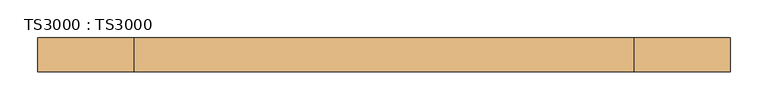
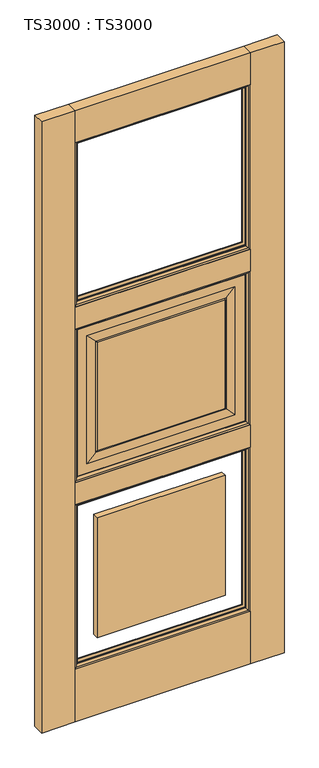
"""IFC4 building model written with IfcOpenShell, lengths in millimetres: door geometry, TS3000 : TS3000."""

from ifc_helpers import new_model, si_unit, frame, origin, origin_with_axes, place, context, project, spatial, polyline, ellipse_curve, outline, extrude, source, transform, mapped, element, save
from ifc_brep_helpers import plane_surface, revolved_surface, advanced_brep


def ts3000_ts3000_b2f78607(model_context):
    return source(origin(), model_context, "Body", "SolidModel", [
        extrude(outline(polyline([(787.4, 44.45), (787.4, 0.0), (127.0, 0.0), (127.0, 44.45), (787.4, 44.45)])), origin_with_axes(), (0.0, 0.0, 1.0), 209.55),
        extrude(outline(polyline([(787.4, 44.45), (787.4, 0.0), (127.0, 0.0), (127.0, 44.45), (787.4, 44.45)])), frame((0.0, 0.0, 865.7166667), z_axis=(0.0, 0.0, 1.0), x_axis=(1.0, 0.0, 0.0)), (0.0, 0.0, 1.0), 88.9),
        extrude(outline(polyline([(787.4, 44.45), (787.4, 0.0), (127.0, 0.0), (127.0, 44.45), (787.4, 44.45)])), frame((0.0, 0.0, 2311.4), z_axis=(0.0, 0.0, 1.0), x_axis=(1.0, 0.0, 0.0)), (0.0, 0.0, 1.0), 127.0),
        extrude(outline(polyline([(787.4, 44.45), (787.4, 0.0), (127.0, 0.0), (127.0, 44.45), (787.4, 44.45)])), frame((0.0, 0.0, 1566.3333333), z_axis=(0.0, 0.0, 1.0), x_axis=(1.0, 0.0, 0.0)), (0.0, 0.0, 1.0), 88.9),
        extrude(outline(polyline([(127.0, 44.45), (127.0, 0.0), (0.0, 0.0), (0.0, 44.45), (127.0, 44.45)])), origin_with_axes(), (0.0, 0.0, 1.0), 2438.4),
        extrude(outline(polyline([(914.4, 44.45), (914.4, 0.0), (787.4, 0.0), (787.4, 44.45), (914.4, 44.45)])), origin_with_axes(), (0.0, 0.0, 1.0), 2438.4),
        advanced_brep(
        [(787.4, 12.7, 1566.3333333), (787.4, 12.7, 954.6166667), (787.4, 31.75, 954.6166667), (787.4, 31.75, 1566.3333333), (127.0, 31.75, 954.6166667), (127.0, 31.75, 1566.3333333), (736.6, 31.75, 1005.4166667), (736.6, 31.75, 1515.5333333), (177.8, 31.75, 1515.5333333), (177.8, 31.75, 1005.4166667), (127.0, 12.7, 954.6166667), (127.0, 12.7, 1566.3333333), (736.6, 12.7, 1515.5333333), (736.6, 12.7, 1005.4166667), (177.8, 12.7, 1005.4166667), (177.8, 12.7, 1515.5333333), (698.5, 33.3375, 1477.4333333), (698.5, 33.3375, 1043.5166667), (698.5, 11.1125, 1043.5166667), (698.5, 11.1125, 1477.4333333), (703.2625, 13.49375, 1038.7541667), (703.2625, 13.49375, 1482.1958333), (215.9, 33.3375, 1043.5166667), (215.9, 11.1125, 1043.5166667), (703.2625, 30.95625, 1482.1958333), (703.2625, 30.95625, 1038.7541667), (211.1375, 13.49375, 1038.7541667), (215.9, 33.3375, 1477.4333333), (215.9, 11.1125, 1477.4333333), (211.1375, 30.95625, 1038.7541667), (211.1375, 13.49375, 1482.1958333), (211.1375, 30.95625, 1482.1958333)],
        [
            (0, 1),
            (1, 2),
            (2, 3),
            (3, 0),
            (2, 4),
            (4, 5),
            (5, 3),
            (6, 7),
            (7, 8),
            (8, 9),
            (9, 6),
            (1, 10),
            (10, 4),
            (0, 11),
            (11, 10),
            (12, 13),
            (13, 14),
            (14, 15),
            (15, 12),
            (16, 17),
            (17, 18),
            (18, 19),
            (19, 16),
            (18, 20, ellipse_curve(frame((703.7585938, 6.5484375, 1038.2580729), z_axis=(-0.7071067811865475, 0.0, -0.7071067811865475), x_axis=(0.7071067811865474, 0.0, -0.7071067811865476)), 9.8471798, 6.9630076)),
            (20, 21),
            (21, 19, ellipse_curve(frame((703.7585938, 6.5484375, 1482.6919271), z_axis=(-0.7071067811865475, 0.0, 0.7071067811865475), x_axis=(-0.7071067811865474, 0.0, -0.7071067811865476)), 9.8471798, 6.9630076)),
            (17, 22),
            (22, 23),
            (23, 18),
            (24, 25),
            (25, 17, ellipse_curve(frame((703.7585938, 37.9015625, 1038.2580729), z_axis=(-0.7071067811865475, 0.0, -0.7071067811865475), x_axis=(0.7071067811865474, 0.0, -0.7071067811865476)), 9.8471798, 6.9630076)),
            (16, 24, ellipse_curve(frame((703.7585938, 37.9015625, 1482.6919271), z_axis=(-0.7071067811865475, 0.0, 0.7071067811865475), x_axis=(-0.7071067811865474, 0.0, -0.7071067811865476)), 9.8471798, 6.9630076)),
            (11, 5),
            (23, 26, ellipse_curve(frame((210.6414063, 6.5484375, 1038.2580729), z_axis=(-0.7071067811865475, 0.0, 0.7071067811865475), x_axis=(-0.7071067811865476, 0.0, -0.7071067811865474)), 9.8471798, 6.9630076)),
            (26, 20),
            (22, 27),
            (27, 28),
            (28, 23),
            (25, 29),
            (29, 22, ellipse_curve(frame((210.6414063, 37.9015625, 1038.2580729), z_axis=(-0.7071067811865475, 0.0, 0.7071067811865475), x_axis=(-0.7071067811865476, 0.0, -0.7071067811865474)), 9.8471798, 6.9630076)),
            (28, 30, ellipse_curve(frame((210.6414063, 6.5484375, 1482.6919271), z_axis=(0.7071067811865475, 0.0, 0.7071067811865475), x_axis=(-0.7071067811865474, 0.0, 0.7071067811865476)), 9.8471798, 6.9630076)),
            (30, 26),
            (29, 31),
            (31, 27, ellipse_curve(frame((210.6414063, 37.9015625, 1482.6919271), z_axis=(0.7071067811865475, 0.0, 0.7071067811865475), x_axis=(-0.7071067811865474, 0.0, 0.7071067811865476)), 9.8471798, 6.9630076)),
            (9, 29),
            (25, 6),
            (8, 31),
            (24, 7),
            (30, 15),
            (14, 26),
            (13, 20),
            (12, 21),
            (27, 16),
            (19, 28),
            (24, 31),
            (30, 21),
        ],
        [
            plane_surface(frame((787.4, 31.75, 1566.3333333), z_axis=(1.0, 0.0, 0.0), x_axis=(0.0, 0.0, -1.0))),
            plane_surface(frame((177.8, 31.75, 1515.5333333), z_axis=(0.0, 1.0, 0.0), x_axis=(1.0, 0.0, 0.0))),
            plane_surface(frame((787.4, 31.75, 954.6166667), z_axis=(0.0, 0.0, -1.0), x_axis=(-1.0, 0.0, 0.0))),
            plane_surface(frame((127.0, 12.7, 1566.3333333), z_axis=(0.0, -1.0, 0.0), x_axis=(1.0, 0.0, 0.0))),
            plane_surface(frame((698.5, 11.1125, 1477.4333333), z_axis=(-1.0, 0.0, 0.0), x_axis=(0.0, 0.0, -1.0))),
            revolved_surface(polyline([(696.7955862, 6.5484375, 1031.2950652878567), (696.7955862, 6.5484375, 1489.6549347121431)]), (703.7585938, 6.5484375, 1477.4333333), (0.0, 0.0, -1.0)),
            plane_surface(frame((698.5, 11.1125, 1043.5166667), z_axis=(0.0, 0.0, 1.0), x_axis=(-1.0, 0.0, 0.0))),
            revolved_surface(polyline([(696.7955862, 37.9015625, 1031.2950652878567), (696.7955862, 37.9015625, 1489.6549347121431)]), (703.7585938, 37.9015625, 1477.4333333), (0.0, 0.0, -1.0)),
            plane_surface(frame((127.0, 31.75, 954.6166667), z_axis=(-1.0, 0.0, 0.0), x_axis=(0.0, 0.0, 1.0))),
            revolved_surface(polyline([(203.67839868785677, 6.5484375, 1045.2210805), (710.7216014121432, 6.5484375, 1045.2210805)]), (698.5, 6.5484375, 1038.2580729), (-1.0, 0.0, 0.0)),
            plane_surface(frame((215.9, 11.1125, 1043.5166667), z_axis=(1.0, 0.0, 0.0), x_axis=(0.0, 0.0, 1.0))),
            revolved_surface(polyline([(203.67839868785677, 37.9015625, 1045.2210805), (710.7216014121432, 37.9015625, 1045.2210805)]), (698.5, 37.9015625, 1038.2580729), (-1.0, 0.0, 0.0)),
            revolved_surface(polyline([(217.6044139, 6.5484375, 1489.6549347121431), (217.6044139, 6.5484375, 1031.2950652878567)]), (210.6414063, 6.5484375, 1043.5166667), (0.0, 0.0, 1.0)),
            revolved_surface(polyline([(217.6044139, 37.9015625, 1489.6549347121431), (217.6044139, 37.9015625, 1031.2950652878567)]), (210.6414063, 37.9015625, 1043.5166667), (0.0, 0.0, 1.0)),
            plane_surface(frame((703.2625, 30.95625, 1038.7541667), z_axis=(0.0, 0.9997166737441345, 0.023802777946362628), x_axis=(-1.0, 0.0, 0.0))),
            plane_surface(frame((211.1375, 30.95625, 1038.7541667), z_axis=(0.023802777946359394, 0.9997166737441346, 0.0), x_axis=(0.0, 0.0, 1.0))),
            plane_surface(frame((703.2625, 30.95625, 1482.1958333), z_axis=(-0.02380277794636586, 0.9997166737441344, 0.0), x_axis=(0.0, 0.0, -1.0))),
            plane_surface(frame((177.8, 12.7, 1005.4166667), z_axis=(0.023802777946303297, -0.9997166737441359, 0.0), x_axis=(0.0, 0.0, 1.0))),
            plane_surface(frame((736.6, 12.7, 1005.4166667), z_axis=(0.0, -0.999716673744136, 0.023802777946300063), x_axis=(-1.0, 0.0, 0.0))),
            plane_surface(frame((736.6, 12.7, 1515.5333333), z_axis=(-0.02380277794629683, -0.9997166737441361, 0.0), x_axis=(0.0, 0.0, -1.0))),
            plane_surface(frame((127.0, 31.75, 1566.3333333), z_axis=(0.0, 0.0, 1.0), x_axis=(1.0, 0.0, 0.0))),
            plane_surface(frame((215.9, 11.1125, 1477.4333333), z_axis=(0.0, 0.0, -1.0), x_axis=(1.0, 0.0, 0.0))),
            plane_surface(frame((211.1375, 30.95625, 1482.1958333), z_axis=(0.0, 0.9997166737441345, -0.023802777946362628), x_axis=(1.0, 0.0, 0.0))),
            plane_surface(frame((177.8, 12.7, 1515.5333333), z_axis=(0.0, -0.999716673744136, -0.023802777946300063), x_axis=(1.0, 0.0, 0.0))),
            revolved_surface(polyline([(710.7216014121432, 6.5484375, 1475.7289194999998), (203.6783986878568, 6.5484375, 1475.7289194999998)]), (215.9, 6.5484375, 1482.6919271), (1.0, 0.0, 0.0)),
            revolved_surface(polyline([(710.7216014121432, 37.9015625, 1475.7289194999998), (203.6783986878568, 37.9015625, 1475.7289194999998)]), (215.9, 37.9015625, 1482.6919271), (1.0, 0.0, 0.0)),
        ],
        [
            (0, [[1, 2, 3, 4]]),
            (1, [[-3, 5, 6, 7], [8, 9, 10, 11]]),
            (2, [[12, 13, -5, -2]]),
            (3, [[-1, 14, 15, -12], [16, 17, 18, 19]]),
            (4, [[20, 21, 22, 23]]),
            (5, [[-22, 24, 25, 26]]),
            (6, [[27, 28, 29, -21]]),
            (7, [[30, 31, -20, 32]]),
            (8, [[-15, 33, -6, -13]]),
            (9, [[-29, 34, 35, -24]]),
            (10, [[36, 37, 38, -28]]),
            (11, [[39, 40, -27, -31]]),
            (12, [[-38, 41, 42, -34]]),
            (13, [[43, 44, -36, -40]]),
            (14, [[-11, 45, -39, 46]]),
            (15, [[-10, 47, -43, -45]]),
            (16, [[-8, -46, -30, 48]]),
            (17, [[-42, 49, -18, 50]]),
            (18, [[-35, -50, -17, 51]]),
            (19, [[-25, -51, -16, 52]]),
            (20, [[-14, -4, -7, -33]]),
            (21, [[53, -23, 54, -37]]),
            (22, [[-9, -48, 55, -47]]),
            (23, [[56, -52, -19, -49]]),
            (24, [[-54, -26, -56, -41]]),
            (25, [[-55, -32, -53, -44]]),
        ],
    ),
        extrude(outline(polyline([(215.9, 11.1125), (215.9, 33.3375), (698.5, 33.3375), (698.5, 11.1125), (215.9, 11.1125)])), frame((0.0, 0.0, 1043.5166667), z_axis=(0.0, 0.0, 1.0), x_axis=(1.0, 0.0, 0.0)), (0.0, 0.0, 1.0), 433.9166667),
        extrude(outline(polyline([(215.9, 11.1125), (215.9, 33.3375), (698.5, 33.3375), (698.5, 11.1125), (215.9, 11.1125)])), frame((0.0, 0.0, 298.45), z_axis=(0.0, 0.0, 1.0), x_axis=(1.0, 0.0, 0.0)), (0.0, 0.0, 1.0), 478.3666667),
        advanced_brep(
        [(787.4, 31.75, 865.7166667), (787.4, 31.75, 209.55), (787.4, 44.4610047, 209.55), (787.4, 44.4610047, 865.7166667), (774.6912454, 34.925, 853.007912), (774.6912454, 34.925, 222.2587546), (774.6912454, 31.75, 222.2587546), (774.6912454, 31.75, 853.007912), (782.5328423, 41.275, 860.849509), (782.5328423, 41.275, 214.4171577), (127.0, 31.75, 209.55), (127.0, 44.4610047, 209.55), (139.7087546, 34.925, 222.2587546), (139.7087546, 31.75, 222.2587546), (131.8671577, 41.275, 214.4171577), (127.0, 31.75, 865.7166667), (127.0, 44.4610047, 865.7166667), (139.7087546, 34.925, 853.007912), (139.7087546, 31.75, 853.007912), (131.8671577, 41.275, 860.849509)],
        [
            (0, 1),
            (1, 2),
            (2, 3),
            (3, 0),
            (4, 5),
            (5, 6),
            (6, 7),
            (7, 4),
            (8, 9),
            (9, 5, ellipse_curve(frame((770.549739, 48.0561173, 226.400261), z_axis=(-0.7071067811865475, 0.0, -0.7071067811865475), x_axis=(0.7071067811865474, 0.0, -0.7071067811865476)), 19.4719447, 13.7687442)),
            (4, 8, ellipse_curve(frame((770.549739, 48.0561173, 848.8664057), z_axis=(-0.7071067811865475, 0.0, 0.7071067811865475), x_axis=(-0.7071067811865474, 0.0, -0.7071067811865476)), 19.4719447, 13.7687442)),
            (2, 9, ellipse_curve(frame((779.4613821, 51.2778746, 217.4886179), z_axis=(-0.7071067811865475, 0.0, -0.7071067811865475), x_axis=(0.7071067811865474, 0.0, -0.7071067811865476)), 14.7980653, 10.4638123)),
            (8, 3, ellipse_curve(frame((779.4613821, 51.2778746, 857.7780488), z_axis=(-0.7071067811865475, 0.0, 0.7071067811865475), x_axis=(-0.7071067811865474, 0.0, -0.7071067811865476)), 14.7980653, 10.4638123)),
            (1, 10),
            (10, 11),
            (11, 2),
            (5, 12),
            (12, 13),
            (13, 6),
            (9, 14),
            (14, 12, ellipse_curve(frame((143.850261, 48.0561173, 226.400261), z_axis=(-0.7071067811865475, 0.0, 0.7071067811865475), x_axis=(-0.7071067811865476, 0.0, -0.7071067811865474)), 19.4719447, 13.7687442)),
            (11, 14, ellipse_curve(frame((134.9386179, 51.2778746, 217.4886179), z_axis=(-0.7071067811865475, 0.0, 0.7071067811865475), x_axis=(-0.7071067811865476, 0.0, -0.7071067811865474)), 14.7980653, 10.4638123)),
            (10, 15),
            (15, 16),
            (16, 11),
            (12, 17),
            (17, 18),
            (18, 13),
            (14, 19),
            (19, 17, ellipse_curve(frame((143.850261, 48.0561173, 848.8664057), z_axis=(0.7071067811865475, 0.0, 0.7071067811865475), x_axis=(-0.7071067811865474, 0.0, 0.7071067811865476)), 19.4719447, 13.7687442)),
            (16, 19, ellipse_curve(frame((134.9386179, 51.2778746, 857.7780488), z_axis=(0.7071067811865475, 0.0, 0.7071067811865475), x_axis=(-0.7071067811865474, 0.0, 0.7071067811865476)), 14.7980653, 10.4638123)),
            (15, 0),
            (3, 16),
            (18, 7),
            (17, 4),
            (19, 8),
        ],
        [
            plane_surface(frame((787.4, 44.4610047, 865.7166667), z_axis=(1.0, 0.0, 0.0), x_axis=(0.0, 0.0, -1.0))),
            plane_surface(frame((774.6912454, 31.75, 853.007912), z_axis=(-1.0, 0.0, 0.0), x_axis=(0.0, 0.0, -1.0))),
            revolved_surface(polyline([(756.7809948, 48.0561173, 212.6315168597406), (756.7809948, 48.0561173, 862.6351498402594)]), (770.549739, 48.0561173, 865.7166667), (0.0, 0.0, -1.0)),
            revolved_surface(polyline([(768.9975698000001, 51.2778746, 207.02480557792865), (768.9975698000001, 51.2778746, 868.2418611220713)]), (779.4613821, 51.2778746, 865.7166667), (0.0, 0.0, -1.0)),
            plane_surface(frame((787.4, 44.4610047, 209.55), z_axis=(0.0, 0.0, -1.0), x_axis=(-1.0, 0.0, 0.0))),
            plane_surface(frame((774.6912454, 31.75, 222.2587546), z_axis=(0.0, 0.0, 1.0), x_axis=(-1.0, 0.0, 0.0))),
            revolved_surface(polyline([(130.08151685974053, 48.0561173, 240.16900520000002), (784.3184831402594, 48.0561173, 240.16900520000002)]), (787.4, 48.0561173, 226.400261), (-1.0, 0.0, 0.0)),
            revolved_surface(polyline([(124.47480557792858, 51.2778746, 227.9524302), (789.9251944220714, 51.2778746, 227.9524302)]), (787.4, 51.2778746, 217.4886179), (-1.0, 0.0, 0.0)),
            plane_surface(frame((127.0, 44.4610047, 209.55), z_axis=(-1.0, 0.0, 0.0), x_axis=(0.0, 0.0, 1.0))),
            plane_surface(frame((139.7087546, 31.75, 222.2587546), z_axis=(1.0, 0.0, 0.0), x_axis=(0.0, 0.0, 1.0))),
            revolved_surface(polyline([(157.6190052, 48.0561173, 862.6351498402594), (157.6190052, 48.0561173, 212.63151685974054)]), (143.850261, 48.0561173, 209.55), (0.0, 0.0, 1.0)),
            revolved_surface(polyline([(145.4024302, 51.2778746, 868.2418611220712), (145.4024302, 51.2778746, 207.02480557792867)]), (134.9386179, 51.2778746, 209.55), (0.0, 0.0, 1.0)),
            plane_surface(frame((127.0, 44.4610047, 865.7166667), z_axis=(0.0, 0.0, 1.0), x_axis=(1.0, 0.0, 0.0))),
            plane_surface(frame((127.0, 31.75, 865.7166667), z_axis=(0.0, -1.0, 0.0), x_axis=(1.0, 0.0, 0.0))),
            plane_surface(frame((139.7087546, 31.75, 853.007912), z_axis=(0.0, 0.0, -1.0), x_axis=(1.0, 0.0, 0.0))),
            revolved_surface(polyline([(784.3184831402594, 48.0561173, 835.0976615), (130.08151685974053, 48.0561173, 835.0976615)]), (127.0, 48.0561173, 848.8664057), (1.0, 0.0, 0.0)),
            revolved_surface(polyline([(789.9251944220714, 51.2778746, 847.3142365), (124.47480557792866, 51.2778746, 847.3142365)]), (127.0, 51.2778746, 857.7780488), (1.0, 0.0, 0.0)),
        ],
        [
            (0, [[1, 2, 3, 4]]),
            (1, [[5, 6, 7, 8]]),
            (2, [[9, 10, -5, 11]]),
            (3, [[-3, 12, -9, 13]]),
            (4, [[14, 15, 16, -2]]),
            (5, [[17, 18, 19, -6]]),
            (6, [[20, 21, -17, -10]]),
            (7, [[-16, 22, -20, -12]]),
            (8, [[23, 24, 25, -15]]),
            (9, [[26, 27, 28, -18]]),
            (10, [[29, 30, -26, -21]]),
            (11, [[-25, 31, -29, -22]]),
            (12, [[32, -4, 33, -24]]),
            (13, [[-1, -32, -23, -14], [-7, -19, -28, 34]]),
            (14, [[35, -8, -34, -27]]),
            (15, [[36, -11, -35, -30]]),
            (16, [[-33, -13, -36, -31]]),
        ],
    ),
        advanced_brep(
        [(782.5328423, 3.175, 860.849509), (782.5328423, 3.175, 214.4171577), (787.4, -0.0110047, 209.55), (787.4, -0.0110047, 865.7166667), (774.6912454, 9.525, 853.007912), (774.6912454, 9.525, 222.2587546), (774.6912454, 12.7, 853.007912), (774.6912454, 12.7, 222.2587546), (787.4, 12.7, 209.55), (787.4, 12.7, 865.7166667), (131.8671577, 3.175, 214.4171577), (127.0, -0.0110047, 209.55), (139.7087546, 9.525, 222.2587546), (139.7087546, 12.7, 222.2587546), (127.0, 12.7, 209.55), (131.8671577, 3.175, 860.849509), (127.0, -0.0110047, 865.7166667), (139.7087546, 9.525, 853.007912), (139.7087546, 12.7, 853.007912), (127.0, 12.7, 865.7166667)],
        [
            (0, 1),
            (1, 2, ellipse_curve(frame((779.4613821, -6.8278746, 217.4886179), z_axis=(-0.7071067811865475, 0.0, -0.7071067811865475), x_axis=(0.7071067811865474, 0.0, -0.7071067811865476)), 14.7980653, 10.4638123)),
            (2, 3),
            (3, 0, ellipse_curve(frame((779.4613821, -6.8278746, 857.7780488), z_axis=(-0.7071067811865475, 0.0, 0.7071067811865475), x_axis=(-0.7071067811865474, 0.0, -0.7071067811865476)), 14.7980653, 10.4638123)),
            (4, 5),
            (5, 1, ellipse_curve(frame((770.549739, -3.6061173, 226.400261), z_axis=(-0.7071067811865475, 0.0, -0.7071067811865475), x_axis=(0.7071067811865474, 0.0, -0.7071067811865476)), 19.4719447, 13.7687442)),
            (0, 4, ellipse_curve(frame((770.549739, -3.6061173, 848.8664057), z_axis=(-0.7071067811865475, 0.0, 0.7071067811865475), x_axis=(-0.7071067811865474, 0.0, -0.7071067811865476)), 19.4719447, 13.7687442)),
            (6, 7),
            (7, 5),
            (4, 6),
            (2, 8),
            (8, 9),
            (9, 3),
            (1, 10),
            (10, 11, ellipse_curve(frame((134.9386179, -6.8278746, 217.4886179), z_axis=(-0.7071067811865475, 0.0, 0.7071067811865475), x_axis=(-0.7071067811865476, 0.0, -0.7071067811865474)), 14.7980653, 10.4638123)),
            (11, 2),
            (5, 12),
            (12, 10, ellipse_curve(frame((143.850261, -3.6061173, 226.400261), z_axis=(-0.7071067811865475, 0.0, 0.7071067811865475), x_axis=(-0.7071067811865476, 0.0, -0.7071067811865474)), 19.4719447, 13.7687442)),
            (7, 13),
            (13, 12),
            (11, 14),
            (14, 8),
            (10, 15),
            (15, 16, ellipse_curve(frame((134.9386179, -6.8278746, 857.7780488), z_axis=(0.7071067811865475, 0.0, 0.7071067811865475), x_axis=(-0.7071067811865474, 0.0, 0.7071067811865476)), 14.7980653, 10.4638123)),
            (16, 11),
            (12, 17),
            (17, 15, ellipse_curve(frame((143.850261, -3.6061173, 848.8664057), z_axis=(0.7071067811865475, 0.0, 0.7071067811865475), x_axis=(-0.7071067811865474, 0.0, 0.7071067811865476)), 19.4719447, 13.7687442)),
            (13, 18),
            (18, 17),
            (16, 19),
            (19, 14),
            (15, 0),
            (3, 16),
            (17, 4),
            (18, 6),
            (19, 9),
        ],
        [
            revolved_surface(polyline([(768.9975698000001, -6.8278746, 207.02480557792865), (768.9975698000001, -6.8278746, 868.2418611220713)]), (779.4613821, -6.8278746, 865.7166667), (0.0, 0.0, -1.0)),
            revolved_surface(polyline([(756.7809948, -3.6061173, 212.6315168597406), (756.7809948, -3.6061173, 862.6351498402594)]), (770.549739, -3.6061173, 865.7166667), (0.0, 0.0, -1.0)),
            plane_surface(frame((774.6912454, 9.525, 853.007912), z_axis=(-1.0, 0.0, 0.0), x_axis=(0.0, 0.0, -1.0))),
            plane_surface(frame((787.4, 12.7, 865.7166667), z_axis=(1.0, 0.0, 0.0), x_axis=(0.0, 0.0, -1.0))),
            revolved_surface(polyline([(124.47480557792858, -6.8278746, 227.9524302), (789.9251944220714, -6.8278746, 227.9524302)]), (787.4, -6.8278746, 217.4886179), (-1.0, 0.0, 0.0)),
            revolved_surface(polyline([(130.08151685974053, -3.6061173, 240.16900520000002), (784.3184831402594, -3.6061173, 240.16900520000002)]), (787.4, -3.6061173, 226.400261), (-1.0, 0.0, 0.0)),
            plane_surface(frame((774.6912454, 9.525, 222.2587546), z_axis=(0.0, 0.0, 1.0), x_axis=(-1.0, 0.0, 0.0))),
            plane_surface(frame((787.4, 12.7, 209.55), z_axis=(0.0, 0.0, -1.0), x_axis=(-1.0, 0.0, 0.0))),
            revolved_surface(polyline([(145.4024302, -6.8278746, 868.2418611220712), (145.4024302, -6.8278746, 207.02480557792867)]), (134.9386179, -6.8278746, 209.55), (0.0, 0.0, 1.0)),
            revolved_surface(polyline([(157.6190052, -3.6061173, 862.6351498402594), (157.6190052, -3.6061173, 212.63151685974054)]), (143.850261, -3.6061173, 209.55), (0.0, 0.0, 1.0)),
            plane_surface(frame((139.7087546, 9.525, 222.2587546), z_axis=(1.0, 0.0, 0.0), x_axis=(0.0, 0.0, 1.0))),
            plane_surface(frame((127.0, 12.7, 209.55), z_axis=(-1.0, 0.0, 0.0), x_axis=(0.0, 0.0, 1.0))),
            revolved_surface(polyline([(789.9251944220714, -6.8278746, 847.3142365), (124.47480557792866, -6.8278746, 847.3142365)]), (127.0, -6.8278746, 857.7780488), (1.0, 0.0, 0.0)),
            revolved_surface(polyline([(784.3184831402594, -3.6061173, 835.0976615), (130.08151685974053, -3.6061173, 835.0976615)]), (127.0, -3.6061173, 848.8664057), (1.0, 0.0, 0.0)),
            plane_surface(frame((139.7087546, 9.525, 853.007912), z_axis=(0.0, 0.0, -1.0), x_axis=(1.0, 0.0, 0.0))),
            plane_surface(frame((139.7087546, 12.7, 853.007912), z_axis=(0.0, 1.0, 0.0), x_axis=(1.0, 0.0, 0.0))),
            plane_surface(frame((127.0, 12.7, 865.7166667), z_axis=(0.0, 0.0, 1.0), x_axis=(1.0, 0.0, 0.0))),
        ],
        [
            (0, [[1, 2, 3, 4]]),
            (1, [[5, 6, -1, 7]]),
            (2, [[8, 9, -5, 10]]),
            (3, [[-3, 11, 12, 13]]),
            (4, [[14, 15, 16, -2]]),
            (5, [[17, 18, -14, -6]]),
            (6, [[19, 20, -17, -9]]),
            (7, [[-16, 21, 22, -11]]),
            (8, [[23, 24, 25, -15]]),
            (9, [[26, 27, -23, -18]]),
            (10, [[28, 29, -26, -20]]),
            (11, [[-25, 30, 31, -21]]),
            (12, [[32, -4, 33, -24]]),
            (13, [[34, -7, -32, -27]]),
            (14, [[35, -10, -34, -29]]),
            (15, [[-12, -22, -31, 36], [-8, -35, -28, -19]]),
            (16, [[-33, -13, -36, -30]]),
        ],
    ),
        advanced_brep(
        [(787.4, 31.75, 1566.3333333), (787.4, 31.75, 954.6166667), (787.4, 44.4610047, 954.6166667), (787.4, 44.4610047, 1566.3333333), (774.6912454, 34.925, 1553.6245787), (774.6912454, 34.925, 967.3254213), (774.6912454, 31.75, 967.3254213), (774.6912454, 31.75, 1553.6245787), (782.5328423, 41.275, 1561.4661757), (782.5328423, 41.275, 959.4838243), (127.0, 31.75, 954.6166667), (127.0, 44.4610047, 954.6166667), (139.7087546, 34.925, 967.3254213), (139.7087546, 31.75, 967.3254213), (131.8671577, 41.275, 959.4838243), (127.0, 31.75, 1566.3333333), (127.0, 44.4610047, 1566.3333333), (139.7087546, 34.925, 1553.6245787), (139.7087546, 31.75, 1553.6245787), (131.8671577, 41.275, 1561.4661757)],
        [
            (0, 1),
            (1, 2),
            (2, 3),
            (3, 0),
            (4, 5),
            (5, 6),
            (6, 7),
            (7, 4),
            (8, 9),
            (9, 5, ellipse_curve(frame((770.549739, 48.0561173, 971.4669276), z_axis=(-0.7071067811865475, 0.0, -0.7071067811865475), x_axis=(0.7071067811865474, 0.0, -0.7071067811865476)), 19.4719447, 13.7687442)),
            (4, 8, ellipse_curve(frame((770.549739, 48.0561173, 1549.4830724), z_axis=(-0.7071067811865475, 0.0, 0.7071067811865475), x_axis=(-0.7071067811865474, 0.0, -0.7071067811865476)), 19.4719447, 13.7687442)),
            (2, 9, ellipse_curve(frame((779.4613821, 51.2778746, 962.5552845), z_axis=(-0.7071067811865475, 0.0, -0.7071067811865475), x_axis=(0.7071067811865474, 0.0, -0.7071067811865476)), 14.7980653, 10.4638123)),
            (8, 3, ellipse_curve(frame((779.4613821, 51.2778746, 1558.3947155), z_axis=(-0.7071067811865475, 0.0, 0.7071067811865475), x_axis=(-0.7071067811865474, 0.0, -0.7071067811865476)), 14.7980653, 10.4638123)),
            (1, 10),
            (10, 11),
            (11, 2),
            (5, 12),
            (12, 13),
            (13, 6),
            (9, 14),
            (14, 12, ellipse_curve(frame((143.850261, 48.0561173, 971.4669276), z_axis=(-0.7071067811865475, 0.0, 0.7071067811865475), x_axis=(-0.7071067811865476, 0.0, -0.7071067811865474)), 19.4719447, 13.7687442)),
            (11, 14, ellipse_curve(frame((134.9386179, 51.2778746, 962.5552845), z_axis=(-0.7071067811865475, 0.0, 0.7071067811865475), x_axis=(-0.7071067811865476, 0.0, -0.7071067811865474)), 14.7980653, 10.4638123)),
            (10, 15),
            (15, 16),
            (16, 11),
            (12, 17),
            (17, 18),
            (18, 13),
            (14, 19),
            (19, 17, ellipse_curve(frame((143.850261, 48.0561173, 1549.4830724), z_axis=(0.7071067811865475, 0.0, 0.7071067811865475), x_axis=(-0.7071067811865474, 0.0, 0.7071067811865476)), 19.4719447, 13.7687442)),
            (16, 19, ellipse_curve(frame((134.9386179, 51.2778746, 1558.3947155), z_axis=(0.7071067811865475, 0.0, 0.7071067811865475), x_axis=(-0.7071067811865474, 0.0, 0.7071067811865476)), 14.7980653, 10.4638123)),
            (15, 0),
            (3, 16),
            (18, 7),
            (17, 4),
            (19, 8),
        ],
        [
            plane_surface(frame((787.4, 44.4610047, 1566.3333333), z_axis=(1.0, 0.0, 0.0), x_axis=(0.0, 0.0, -1.0))),
            plane_surface(frame((774.6912454, 31.75, 1553.6245787), z_axis=(-1.0, 0.0, 0.0), x_axis=(0.0, 0.0, -1.0))),
            revolved_surface(polyline([(756.7809948, 48.0561173, 957.6981834597406), (756.7809948, 48.0561173, 1563.2518165402596)]), (770.549739, 48.0561173, 1566.3333333), (0.0, 0.0, -1.0)),
            revolved_surface(polyline([(768.9975698000001, 51.2778746, 952.0914721779286), (768.9975698000001, 51.2778746, 1568.8585278220714)]), (779.4613821, 51.2778746, 1566.3333333), (0.0, 0.0, -1.0)),
            plane_surface(frame((787.4, 44.4610047, 954.6166667), z_axis=(0.0, 0.0, -1.0), x_axis=(-1.0, 0.0, 0.0))),
            plane_surface(frame((774.6912454, 31.75, 967.3254213), z_axis=(0.0, 0.0, 1.0), x_axis=(-1.0, 0.0, 0.0))),
            revolved_surface(polyline([(130.08151685974053, 48.0561173, 985.2356718), (784.3184831402594, 48.0561173, 985.2356718)]), (787.4, 48.0561173, 971.4669276), (-1.0, 0.0, 0.0)),
            revolved_surface(polyline([(124.47480557792858, 51.2778746, 973.0190967999999), (789.9251944220714, 51.2778746, 973.0190967999999)]), (787.4, 51.2778746, 962.5552845), (-1.0, 0.0, 0.0)),
            plane_surface(frame((127.0, 44.4610047, 954.6166667), z_axis=(-1.0, 0.0, 0.0), x_axis=(0.0, 0.0, 1.0))),
            plane_surface(frame((139.7087546, 31.75, 967.3254213), z_axis=(1.0, 0.0, 0.0), x_axis=(0.0, 0.0, 1.0))),
            revolved_surface(polyline([(157.6190052, 48.0561173, 1563.2518165402594), (157.6190052, 48.0561173, 957.6981834597406)]), (143.850261, 48.0561173, 954.6166667), (0.0, 0.0, 1.0)),
            revolved_surface(polyline([(145.4024302, 51.2778746, 1568.8585278220714), (145.4024302, 51.2778746, 952.0914721779286)]), (134.9386179, 51.2778746, 954.6166667), (0.0, 0.0, 1.0)),
            plane_surface(frame((127.0, 44.4610047, 1566.3333333), z_axis=(0.0, 0.0, 1.0), x_axis=(1.0, 0.0, 0.0))),
            plane_surface(frame((127.0, 31.75, 1566.3333333), z_axis=(0.0, -1.0, 0.0), x_axis=(1.0, 0.0, 0.0))),
            plane_surface(frame((139.7087546, 31.75, 1553.6245787), z_axis=(0.0, 0.0, -1.0), x_axis=(1.0, 0.0, 0.0))),
            revolved_surface(polyline([(784.3184831402594, 48.0561173, 1535.7143282000002), (130.08151685974053, 48.0561173, 1535.7143282000002)]), (127.0, 48.0561173, 1549.4830724), (1.0, 0.0, 0.0)),
            revolved_surface(polyline([(789.9251944220714, 51.2778746, 1547.9309032), (124.47480557792866, 51.2778746, 1547.9309032)]), (127.0, 51.2778746, 1558.3947155), (1.0, 0.0, 0.0)),
        ],
        [
            (0, [[1, 2, 3, 4]]),
            (1, [[5, 6, 7, 8]]),
            (2, [[9, 10, -5, 11]]),
            (3, [[-3, 12, -9, 13]]),
            (4, [[14, 15, 16, -2]]),
            (5, [[17, 18, 19, -6]]),
            (6, [[20, 21, -17, -10]]),
            (7, [[-16, 22, -20, -12]]),
            (8, [[23, 24, 25, -15]]),
            (9, [[26, 27, 28, -18]]),
            (10, [[29, 30, -26, -21]]),
            (11, [[-25, 31, -29, -22]]),
            (12, [[32, -4, 33, -24]]),
            (13, [[-1, -32, -23, -14], [-7, -19, -28, 34]]),
            (14, [[35, -8, -34, -27]]),
            (15, [[36, -11, -35, -30]]),
            (16, [[-33, -13, -36, -31]]),
        ],
    ),
        advanced_brep(
        [(782.5328423, 3.175, 1561.4661757), (782.5328423, 3.175, 959.4838243), (787.4, -0.0110047, 954.6166667), (787.4, -0.0110047, 1566.3333333), (774.6912454, 9.525, 1553.6245787), (774.6912454, 9.525, 967.3254213), (774.6912454, 12.7, 1553.6245787), (774.6912454, 12.7, 967.3254213), (787.4, 12.7, 954.6166667), (787.4, 12.7, 1566.3333333), (131.8671577, 3.175, 959.4838243), (127.0, -0.0110047, 954.6166667), (139.7087546, 9.525, 967.3254213), (139.7087546, 12.7, 967.3254213), (127.0, 12.7, 954.6166667), (131.8671577, 3.175, 1561.4661757), (127.0, -0.0110047, 1566.3333333), (139.7087546, 9.525, 1553.6245787), (139.7087546, 12.7, 1553.6245787), (127.0, 12.7, 1566.3333333)],
        [
            (0, 1),
            (1, 2, ellipse_curve(frame((779.4613821, -6.8278746, 962.5552845), z_axis=(-0.7071067811865475, 0.0, -0.7071067811865475), x_axis=(0.7071067811865474, 0.0, -0.7071067811865476)), 14.7980653, 10.4638123)),
            (2, 3),
            (3, 0, ellipse_curve(frame((779.4613821, -6.8278746, 1558.3947155), z_axis=(-0.7071067811865475, 0.0, 0.7071067811865475), x_axis=(-0.7071067811865474, 0.0, -0.7071067811865476)), 14.7980653, 10.4638123)),
            (4, 5),
            (5, 1, ellipse_curve(frame((770.549739, -3.6061173, 971.4669276), z_axis=(-0.7071067811865475, 0.0, -0.7071067811865475), x_axis=(0.7071067811865474, 0.0, -0.7071067811865476)), 19.4719447, 13.7687442)),
            (0, 4, ellipse_curve(frame((770.549739, -3.6061173, 1549.4830724), z_axis=(-0.7071067811865475, 0.0, 0.7071067811865475), x_axis=(-0.7071067811865474, 0.0, -0.7071067811865476)), 19.4719447, 13.7687442)),
            (6, 7),
            (7, 5),
            (4, 6),
            (2, 8),
            (8, 9),
            (9, 3),
            (1, 10),
            (10, 11, ellipse_curve(frame((134.9386179, -6.8278746, 962.5552845), z_axis=(-0.7071067811865475, 0.0, 0.7071067811865475), x_axis=(-0.7071067811865476, 0.0, -0.7071067811865474)), 14.7980653, 10.4638123)),
            (11, 2),
            (5, 12),
            (12, 10, ellipse_curve(frame((143.850261, -3.6061173, 971.4669276), z_axis=(-0.7071067811865475, 0.0, 0.7071067811865475), x_axis=(-0.7071067811865476, 0.0, -0.7071067811865474)), 19.4719447, 13.7687442)),
            (7, 13),
            (13, 12),
            (11, 14),
            (14, 8),
            (10, 15),
            (15, 16, ellipse_curve(frame((134.9386179, -6.8278746, 1558.3947155), z_axis=(0.7071067811865475, 0.0, 0.7071067811865475), x_axis=(-0.7071067811865474, 0.0, 0.7071067811865476)), 14.7980653, 10.4638123)),
            (16, 11),
            (12, 17),
            (17, 15, ellipse_curve(frame((143.850261, -3.6061173, 1549.4830724), z_axis=(0.7071067811865475, 0.0, 0.7071067811865475), x_axis=(-0.7071067811865474, 0.0, 0.7071067811865476)), 19.4719447, 13.7687442)),
            (13, 18),
            (18, 17),
            (16, 19),
            (19, 14),
            (15, 0),
            (3, 16),
            (17, 4),
            (18, 6),
            (19, 9),
        ],
        [
            revolved_surface(polyline([(768.9975698000001, -6.8278746, 952.0914721779286), (768.9975698000001, -6.8278746, 1568.8585278220714)]), (779.4613821, -6.8278746, 1566.3333333), (0.0, 0.0, -1.0)),
            revolved_surface(polyline([(756.7809948, -3.6061173, 957.6981834597406), (756.7809948, -3.6061173, 1563.2518165402596)]), (770.549739, -3.6061173, 1566.3333333), (0.0, 0.0, -1.0)),
            plane_surface(frame((774.6912454, 9.525, 1553.6245787), z_axis=(-1.0, 0.0, 0.0), x_axis=(0.0, 0.0, -1.0))),
            plane_surface(frame((787.4, 12.7, 1566.3333333), z_axis=(1.0, 0.0, 0.0), x_axis=(0.0, 0.0, -1.0))),
            revolved_surface(polyline([(124.47480557792858, -6.8278746, 973.0190967999999), (789.9251944220714, -6.8278746, 973.0190967999999)]), (787.4, -6.8278746, 962.5552845), (-1.0, 0.0, 0.0)),
            revolved_surface(polyline([(130.08151685974053, -3.6061173, 985.2356718), (784.3184831402594, -3.6061173, 985.2356718)]), (787.4, -3.6061173, 971.4669276), (-1.0, 0.0, 0.0)),
            plane_surface(frame((774.6912454, 9.525, 967.3254213), z_axis=(0.0, 0.0, 1.0), x_axis=(-1.0, 0.0, 0.0))),
            plane_surface(frame((787.4, 12.7, 954.6166667), z_axis=(0.0, 0.0, -1.0), x_axis=(-1.0, 0.0, 0.0))),
            revolved_surface(polyline([(145.4024302, -6.8278746, 1568.8585278220714), (145.4024302, -6.8278746, 952.0914721779286)]), (134.9386179, -6.8278746, 954.6166667), (0.0, 0.0, 1.0)),
            revolved_surface(polyline([(157.6190052, -3.6061173, 1563.2518165402594), (157.6190052, -3.6061173, 957.6981834597406)]), (143.850261, -3.6061173, 954.6166667), (0.0, 0.0, 1.0)),
            plane_surface(frame((139.7087546, 9.525, 967.3254213), z_axis=(1.0, 0.0, 0.0), x_axis=(0.0, 0.0, 1.0))),
            plane_surface(frame((127.0, 12.7, 954.6166667), z_axis=(-1.0, 0.0, 0.0), x_axis=(0.0, 0.0, 1.0))),
            revolved_surface(polyline([(789.9251944220714, -6.8278746, 1547.9309032), (124.47480557792866, -6.8278746, 1547.9309032)]), (127.0, -6.8278746, 1558.3947155), (1.0, 0.0, 0.0)),
            revolved_surface(polyline([(784.3184831402594, -3.6061173, 1535.7143282000002), (130.08151685974053, -3.6061173, 1535.7143282000002)]), (127.0, -3.6061173, 1549.4830724), (1.0, 0.0, 0.0)),
            plane_surface(frame((139.7087546, 9.525, 1553.6245787), z_axis=(0.0, 0.0, -1.0), x_axis=(1.0, 0.0, 0.0))),
            plane_surface(frame((139.7087546, 12.7, 1553.6245787), z_axis=(0.0, 1.0, 0.0), x_axis=(1.0, 0.0, 0.0))),
            plane_surface(frame((127.0, 12.7, 1566.3333333), z_axis=(0.0, 0.0, 1.0), x_axis=(1.0, 0.0, 0.0))),
        ],
        [
            (0, [[1, 2, 3, 4]]),
            (1, [[5, 6, -1, 7]]),
            (2, [[8, 9, -5, 10]]),
            (3, [[-3, 11, 12, 13]]),
            (4, [[14, 15, 16, -2]]),
            (5, [[17, 18, -14, -6]]),
            (6, [[19, 20, -17, -9]]),
            (7, [[-16, 21, 22, -11]]),
            (8, [[23, 24, 25, -15]]),
            (9, [[26, 27, -23, -18]]),
            (10, [[28, 29, -26, -20]]),
            (11, [[-25, 30, 31, -21]]),
            (12, [[32, -4, 33, -24]]),
            (13, [[34, -7, -32, -27]]),
            (14, [[35, -10, -34, -29]]),
            (15, [[-12, -22, -31, 36], [-8, -35, -28, -19]]),
            (16, [[-33, -13, -36, -30]]),
        ],
    ),
        advanced_brep(
        [(787.4, 31.75, 2311.4), (787.4, 31.75, 1655.2333333), (787.4, 44.4610047, 1655.2333333), (787.4, 44.4610047, 2311.4), (774.6912454, 34.925, 2298.6912454), (774.6912454, 34.925, 1667.942088), (774.6912454, 31.75, 1667.942088), (774.6912454, 31.75, 2298.6912454), (782.5328423, 41.275, 2306.5328423), (782.5328423, 41.275, 1660.100491), (127.0, 31.75, 1655.2333333), (127.0, 44.4610047, 1655.2333333), (139.7087546, 34.925, 1667.942088), (139.7087546, 31.75, 1667.942088), (131.8671577, 41.275, 1660.100491), (127.0, 31.75, 2311.4), (127.0, 44.4610047, 2311.4), (139.7087546, 34.925, 2298.6912454), (139.7087546, 31.75, 2298.6912454), (131.8671577, 41.275, 2306.5328423)],
        [
            (0, 1),
            (1, 2),
            (2, 3),
            (3, 0),
            (4, 5),
            (5, 6),
            (6, 7),
            (7, 4),
            (8, 9),
            (9, 5, ellipse_curve(frame((771.2743353, 47.1613154, 1671.358998), z_axis=(-0.7071067811865475, 0.0, -0.7071067811865475), x_axis=(0.7071067811865474, 0.0, -0.7071067811865476)), 17.9667854, 12.7044358)),
            (4, 8, ellipse_curve(frame((771.2743353, 47.1613154, 2295.2743353), z_axis=(-0.7071067811865475, 0.0, 0.7071067811865475), x_axis=(-0.7071067811865474, 0.0, -0.7071067811865476)), 17.9667854, 12.7044358)),
            (2, 9, ellipse_curve(frame((780.1585588, 50.2128202, 1662.4747746), z_axis=(-0.7071067811865475, 0.0, -0.7071067811865475), x_axis=(0.7071067811865474, 0.0, -0.7071067811865476)), 13.0783678, 9.2478026)),
            (8, 3, ellipse_curve(frame((780.1585588, 50.2128202, 2304.1585588), z_axis=(-0.7071067811865475, 0.0, 0.7071067811865475), x_axis=(-0.7071067811865474, 0.0, -0.7071067811865476)), 13.0783678, 9.2478026)),
            (1, 10),
            (10, 11),
            (11, 2),
            (5, 12),
            (12, 13),
            (13, 6),
            (9, 14),
            (14, 12, ellipse_curve(frame((143.1256647, 47.1613154, 1671.358998), z_axis=(-0.7071067811865475, 0.0, 0.7071067811865475), x_axis=(-0.7071067811865476, 0.0, -0.7071067811865474)), 17.9667854, 12.7044358)),
            (11, 14, ellipse_curve(frame((134.2414412, 50.2128202, 1662.4747746), z_axis=(-0.7071067811865475, 0.0, 0.7071067811865475), x_axis=(-0.7071067811865476, 0.0, -0.7071067811865474)), 13.0783678, 9.2478026)),
            (10, 15),
            (15, 16),
            (16, 11),
            (12, 17),
            (17, 18),
            (18, 13),
            (14, 19),
            (19, 17, ellipse_curve(frame((143.1256647, 47.1613154, 2295.2743353), z_axis=(0.7071067811865475, 0.0, 0.7071067811865475), x_axis=(-0.7071067811865474, 0.0, 0.7071067811865476)), 17.9667854, 12.7044358)),
            (16, 19, ellipse_curve(frame((134.2414412, 50.2128202, 2304.1585588), z_axis=(0.7071067811865475, 0.0, 0.7071067811865475), x_axis=(-0.7071067811865474, 0.0, 0.7071067811865476)), 13.0783678, 9.2478026)),
            (15, 0),
            (3, 16),
            (18, 7),
            (17, 4),
            (19, 8),
        ],
        [
            plane_surface(frame((787.4, 44.4610047, 2311.4), z_axis=(1.0, 0.0, 0.0), x_axis=(0.0, 0.0, -1.0))),
            plane_surface(frame((774.6912454, 31.75, 2298.6912454), z_axis=(-1.0, 0.0, 0.0), x_axis=(0.0, 0.0, -1.0))),
            revolved_surface(polyline([(758.5698994999999, 47.1613154, 1658.6545622075364), (758.5698994999999, 47.1613154, 2307.9787710924634)]), (771.2743353, 47.1613154, 2311.4), (0.0, 0.0, -1.0)),
            revolved_surface(polyline([(770.9107562, 50.2128202, 1653.2269720417682), (770.9107562, 50.2128202, 2313.4063613582316)]), (780.1585588, 50.2128202, 2311.4), (0.0, 0.0, -1.0)),
            plane_surface(frame((787.4, 44.4610047, 1655.2333333), z_axis=(0.0, 0.0, -1.0), x_axis=(-1.0, 0.0, 0.0))),
            plane_surface(frame((774.6912454, 31.75, 1667.942088), z_axis=(0.0, 0.0, 1.0), x_axis=(-1.0, 0.0, 0.0))),
            revolved_surface(polyline([(130.4212289075366, 47.1613154, 1684.0634338), (783.9787710924634, 47.1613154, 1684.0634338)]), (787.4, 47.1613154, 1671.358998), (-1.0, 0.0, 0.0)),
            revolved_surface(polyline([(124.99363864176814, 50.2128202, 1671.7225772000002), (789.4063613582318, 50.2128202, 1671.7225772000002)]), (787.4, 50.2128202, 1662.4747746), (-1.0, 0.0, 0.0)),
            plane_surface(frame((127.0, 44.4610047, 1655.2333333), z_axis=(-1.0, 0.0, 0.0), x_axis=(0.0, 0.0, 1.0))),
            plane_surface(frame((139.7087546, 31.75, 1667.942088), z_axis=(1.0, 0.0, 0.0), x_axis=(0.0, 0.0, 1.0))),
            revolved_surface(polyline([(155.8301005, 47.1613154, 2307.9787710924634), (155.8301005, 47.1613154, 1658.6545622075364)]), (143.1256647, 47.1613154, 1655.2333333), (0.0, 0.0, 1.0)),
            revolved_surface(polyline([(143.4892438, 50.2128202, 2313.4063613582316), (143.4892438, 50.2128202, 1653.2269720417682)]), (134.2414412, 50.2128202, 1655.2333333), (0.0, 0.0, 1.0)),
            plane_surface(frame((127.0, 44.4610047, 2311.4), z_axis=(0.0, 0.0, 1.0), x_axis=(1.0, 0.0, 0.0))),
            plane_surface(frame((127.0, 31.75, 2311.4), z_axis=(0.0, -1.0, 0.0), x_axis=(1.0, 0.0, 0.0))),
            plane_surface(frame((139.7087546, 31.75, 2298.6912454), z_axis=(0.0, 0.0, -1.0), x_axis=(1.0, 0.0, 0.0))),
            revolved_surface(polyline([(783.9787710924634, 47.1613154, 2282.5698995000002), (130.42122890753654, 47.1613154, 2282.5698995000002)]), (127.0, 47.1613154, 2295.2743353), (1.0, 0.0, 0.0)),
            revolved_surface(polyline([(789.4063613582318, 50.2128202, 2294.9107562), (124.99363864176821, 50.2128202, 2294.9107562)]), (127.0, 50.2128202, 2304.1585588), (1.0, 0.0, 0.0)),
        ],
        [
            (0, [[1, 2, 3, 4]]),
            (1, [[5, 6, 7, 8]]),
            (2, [[9, 10, -5, 11]]),
            (3, [[-3, 12, -9, 13]]),
            (4, [[14, 15, 16, -2]]),
            (5, [[17, 18, 19, -6]]),
            (6, [[20, 21, -17, -10]]),
            (7, [[-16, 22, -20, -12]]),
            (8, [[23, 24, 25, -15]]),
            (9, [[26, 27, 28, -18]]),
            (10, [[29, 30, -26, -21]]),
            (11, [[-25, 31, -29, -22]]),
            (12, [[32, -4, 33, -24]]),
            (13, [[-1, -32, -23, -14], [-7, -19, -28, 34]]),
            (14, [[35, -8, -34, -27]]),
            (15, [[36, -11, -35, -30]]),
            (16, [[-33, -13, -36, -31]]),
        ],
    ),
        advanced_brep(
        [(782.5328423, 3.175, 2306.5328423), (782.5328423, 3.175, 1660.100491), (787.4, -0.0110047, 1655.2333333), (787.4, -0.0110047, 2311.4), (774.6912454, 9.525, 2298.6912454), (774.6912454, 9.525, 1667.942088), (774.6912454, 12.7, 2298.6912454), (774.6912454, 12.7, 1667.942088), (787.4, 12.7, 1655.2333333), (787.4, 12.7, 2311.4), (131.8671577, 3.175, 1660.100491), (127.0, -0.0110047, 1655.2333333), (139.7087546, 9.525, 1667.942088), (139.7087546, 12.7, 1667.942088), (127.0, 12.7, 1655.2333333), (131.8671577, 3.175, 2306.5328423), (127.0, -0.0110047, 2311.4), (139.7087546, 9.525, 2298.6912454), (139.7087546, 12.7, 2298.6912454), (127.0, 12.7, 2311.4)],
        [
            (0, 1),
            (1, 2, ellipse_curve(frame((780.1585588, -5.7628202, 1662.4747746), z_axis=(-0.7071067811865475, 0.0, -0.7071067811865475), x_axis=(0.7071067811865474, 0.0, -0.7071067811865476)), 13.0783678, 9.2478026)),
            (2, 3),
            (3, 0, ellipse_curve(frame((780.1585588, -5.7628202, 2304.1585588), z_axis=(-0.7071067811865475, 0.0, 0.7071067811865475), x_axis=(-0.7071067811865474, 0.0, -0.7071067811865476)), 13.0783678, 9.2478026)),
            (4, 5),
            (5, 1, ellipse_curve(frame((771.2743353, -2.7113154, 1671.358998), z_axis=(-0.7071067811865475, 0.0, -0.7071067811865475), x_axis=(0.7071067811865474, 0.0, -0.7071067811865476)), 17.9667854, 12.7044358)),
            (0, 4, ellipse_curve(frame((771.2743353, -2.7113154, 2295.2743353), z_axis=(-0.7071067811865475, 0.0, 0.7071067811865475), x_axis=(-0.7071067811865474, 0.0, -0.7071067811865476)), 17.9667854, 12.7044358)),
            (6, 7),
            (7, 5),
            (4, 6),
            (2, 8),
            (8, 9),
            (9, 3),
            (1, 10),
            (10, 11, ellipse_curve(frame((134.2414412, -5.7628202, 1662.4747746), z_axis=(-0.7071067811865475, 0.0, 0.7071067811865475), x_axis=(-0.7071067811865476, 0.0, -0.7071067811865474)), 13.0783678, 9.2478026)),
            (11, 2),
            (5, 12),
            (12, 10, ellipse_curve(frame((143.1256647, -2.7113154, 1671.358998), z_axis=(-0.7071067811865475, 0.0, 0.7071067811865475), x_axis=(-0.7071067811865476, 0.0, -0.7071067811865474)), 17.9667854, 12.7044358)),
            (7, 13),
            (13, 12),
            (11, 14),
            (14, 8),
            (10, 15),
            (15, 16, ellipse_curve(frame((134.2414412, -5.7628202, 2304.1585588), z_axis=(0.7071067811865475, 0.0, 0.7071067811865475), x_axis=(-0.7071067811865474, 0.0, 0.7071067811865476)), 13.0783678, 9.2478026)),
            (16, 11),
            (12, 17),
            (17, 15, ellipse_curve(frame((143.1256647, -2.7113154, 2295.2743353), z_axis=(0.7071067811865475, 0.0, 0.7071067811865475), x_axis=(-0.7071067811865474, 0.0, 0.7071067811865476)), 17.9667854, 12.7044358)),
            (13, 18),
            (18, 17),
            (16, 19),
            (19, 14),
            (15, 0),
            (3, 16),
            (17, 4),
            (18, 6),
            (19, 9),
        ],
        [
            revolved_surface(polyline([(770.9107562, -5.7628202, 1653.2269720417682), (770.9107562, -5.7628202, 2313.4063613582316)]), (780.1585588, -5.7628202, 2311.4), (0.0, 0.0, -1.0)),
            revolved_surface(polyline([(758.5698994999999, -2.7113154, 1658.6545622075364), (758.5698994999999, -2.7113154, 2307.9787710924634)]), (771.2743353, -2.7113154, 2311.4), (0.0, 0.0, -1.0)),
            plane_surface(frame((774.6912454, 9.525, 2298.6912454), z_axis=(-1.0, 0.0, 0.0), x_axis=(0.0, 0.0, -1.0))),
            plane_surface(frame((787.4, 12.7, 2311.4), z_axis=(1.0, 0.0, 0.0), x_axis=(0.0, 0.0, -1.0))),
            revolved_surface(polyline([(124.99363864176814, -5.7628202, 1671.7225772000002), (789.4063613582318, -5.7628202, 1671.7225772000002)]), (787.4, -5.7628202, 1662.4747746), (-1.0, 0.0, 0.0)),
            revolved_surface(polyline([(130.4212289075366, -2.7113154, 1684.0634338), (783.9787710924634, -2.7113154, 1684.0634338)]), (787.4, -2.7113154, 1671.358998), (-1.0, 0.0, 0.0)),
            plane_surface(frame((774.6912454, 9.525, 1667.942088), z_axis=(0.0, 0.0, 1.0), x_axis=(-1.0, 0.0, 0.0))),
            plane_surface(frame((787.4, 12.7, 1655.2333333), z_axis=(0.0, 0.0, -1.0), x_axis=(-1.0, 0.0, 0.0))),
            revolved_surface(polyline([(143.4892438, -5.7628202, 2313.4063613582316), (143.4892438, -5.7628202, 1653.2269720417682)]), (134.2414412, -5.7628202, 1655.2333333), (0.0, 0.0, 1.0)),
            revolved_surface(polyline([(155.8301005, -2.7113154, 2307.9787710924634), (155.8301005, -2.7113154, 1658.6545622075364)]), (143.1256647, -2.7113154, 1655.2333333), (0.0, 0.0, 1.0)),
            plane_surface(frame((139.7087546, 9.525, 1667.942088), z_axis=(1.0, 0.0, 0.0), x_axis=(0.0, 0.0, 1.0))),
            plane_surface(frame((127.0, 12.7, 1655.2333333), z_axis=(-1.0, 0.0, 0.0), x_axis=(0.0, 0.0, 1.0))),
            revolved_surface(polyline([(789.4063613582318, -5.7628202, 2294.9107562), (124.99363864176821, -5.7628202, 2294.9107562)]), (127.0, -5.7628202, 2304.1585588), (1.0, 0.0, 0.0)),
            revolved_surface(polyline([(783.9787710924634, -2.7113154, 2282.5698995000002), (130.42122890753654, -2.7113154, 2282.5698995000002)]), (127.0, -2.7113154, 2295.2743353), (1.0, 0.0, 0.0)),
            plane_surface(frame((139.7087546, 9.525, 2298.6912454), z_axis=(0.0, 0.0, -1.0), x_axis=(1.0, 0.0, 0.0))),
            plane_surface(frame((139.7087546, 12.7, 2298.6912454), z_axis=(0.0, 1.0, 0.0), x_axis=(1.0, 0.0, 0.0))),
            plane_surface(frame((127.0, 12.7, 2311.4), z_axis=(0.0, 0.0, 1.0), x_axis=(1.0, 0.0, 0.0))),
        ],
        [
            (0, [[1, 2, 3, 4]]),
            (1, [[5, 6, -1, 7]]),
            (2, [[8, 9, -5, 10]]),
            (3, [[-3, 11, 12, 13]]),
            (4, [[14, 15, 16, -2]]),
            (5, [[17, 18, -14, -6]]),
            (6, [[19, 20, -17, -9]]),
            (7, [[-16, 21, 22, -11]]),
            (8, [[23, 24, 25, -15]]),
            (9, [[26, 27, -23, -18]]),
            (10, [[28, 29, -26, -20]]),
            (11, [[-25, 30, 31, -21]]),
            (12, [[32, -4, 33, -24]]),
            (13, [[34, -7, -32, -27]]),
            (14, [[35, -10, -34, -29]]),
            (15, [[-12, -22, -31, 36], [-8, -35, -28, -19]]),
            (16, [[-33, -13, -36, -30]]),
        ],
    ),
    ])


if __name__ == "__main__":
    model = new_model("IFC4")
    model_context = context("Model", 3, world=origin())
    ifc_project = project(units=[si_unit("LENGTHUNIT", "METRE", prefix="MILLI")], contexts=[model_context])
    site = spatial("IfcSite", under=ifc_project)
    building = spatial("IfcBuilding", under=site)
    placement = place(None, origin())
    ts3000_ts3000_shape = ts3000_ts3000_b2f78607(model_context)
    element("IfcDoor", 1, ObjectType="TS3000 : TS3000", at=placement, inside=building, context=model_context, shape_type="MappedRepresentation", body=[
        mapped(ts3000_ts3000_shape, transform((0.0, 0.0, 0.0), x_axis=(1.0, 0.0, 0.0), y_axis=(0.0, 1.0, 0.0), z_axis=(0.0, 0.0, 1.0))),
    ])
    save(model, "model.ifc")
